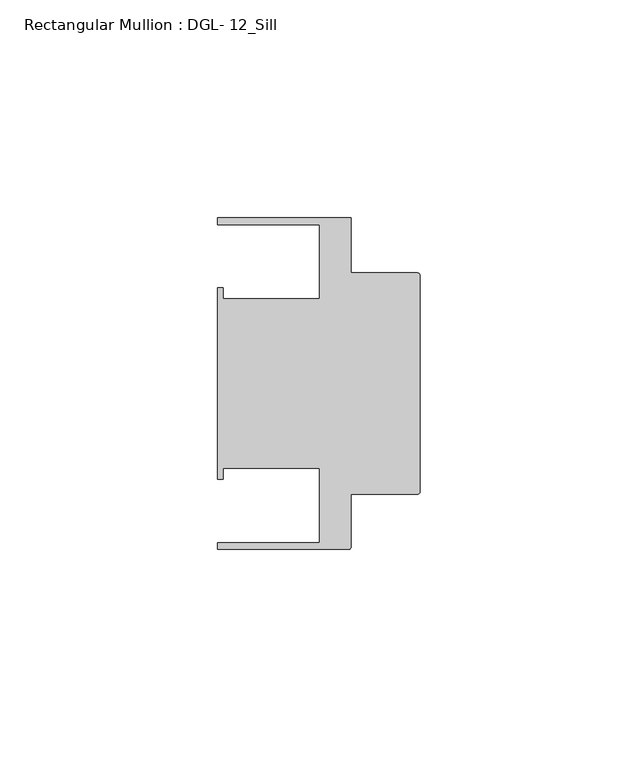
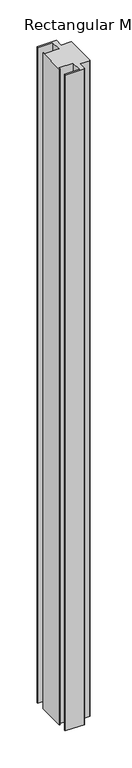
"""IFC4 building model written with IfcOpenShell, lengths in millimetres: member geometry, Rectangular Mullion : DGL- 12_Sill."""

from ifc_helpers import new_model, si_unit, point, frame, frame_2d, origin, place, context, project, spatial, polyline, circle_curve, trimmed, segment, composite_curve, outline, extrude, source, transform, mapped, element, save


def rectangular_mullion_dgl_12_sill_32ad9ad1(model_context):
    return source(origin(), model_context, "Body", "SweptSolid", [
        extrude(outline(composite_curve([segment(trimmed(circle_curve(frame_2d((-0.5953125, 24.8046875)), 0.5953125), [point((-0.5953125, 25.4))], [point((0.0, 24.8046875))], False, "CARTESIAN"), True, "CONTINUOUS"), segment(polyline([(0.0, 24.8046875), (0.0, -24.8046875)]), True, "CONTINUOUS"), segment(trimmed(circle_curve(frame_2d((-0.5953125, -24.8046875)), 0.5953125), [point((0.0, -24.8046875))], [point((-0.5953125, -25.4))], False, "CARTESIAN"), True, "CONTINUOUS"), segment(polyline([(-0.5953125, -25.4), (-15.8750672, -25.4), (-15.8750672, -37.5047035)]), True, "CONTINUOUS"), segment(trimmed(circle_curve(frame_2d((-16.4703797, -37.5047035)), 0.5953125), [point((-15.8750672, -37.5047035))], [point((-16.4703797, -38.100016))], False, "CARTESIAN"), True, "CONTINUOUS"), segment(polyline([(-16.4703797, -38.100016), (-46.54296, -38.100016), (-46.54296, -36.512516), (-23.1202791, -36.512516), (-23.1202791, -19.4824275), (-45.2865266, -19.4824275), (-45.2865266, -21.9710976), (-46.54296, -21.9710976), (-46.54296, 21.9710976), (-45.2865266, 21.9710976), (-45.2865266, 19.4824275), (-23.1202791, 19.4824275), (-23.1202791, 36.512516), (-46.54296, 36.512516), (-46.54296, 38.0996792), (-15.8750672, 38.0996792), (-15.8750672, 25.4), (-0.5953125, 25.4)]), True, "CONTINUOUS")], self_intersect=False)), frame((0.0, 0.0, -1079.5), z_axis=(0.0, 0.0, 1.0), x_axis=(1.0, 0.0, 0.0)), (0.0, 0.0, 1.0), 1079.5),
    ])


if __name__ == "__main__":
    model = new_model("IFC4")
    model_context = context("Model", 3, world=origin())
    ifc_project = project(units=[si_unit("LENGTHUNIT", "METRE", prefix="MILLI")], contexts=[model_context])
    site = spatial("IfcSite", under=ifc_project)
    building = spatial("IfcBuilding", under=site)
    placement = place(None, origin())
    rectangular_mullion_dgl_12_sill_shape = rectangular_mullion_dgl_12_sill_32ad9ad1(model_context)
    element("IfcMember", 1, ObjectType="Rectangular Mullion : DGL- 12_Sill", at=placement, inside=building, context=model_context, shape_type="MappedRepresentation", body=[
        mapped(rectangular_mullion_dgl_12_sill_shape, transform((0.0, 0.0, 0.0), x_axis=(1.0, 0.0, 0.0), y_axis=(0.0, 1.0, 0.0), z_axis=(0.0, 0.0, 1.0))),
    ])
    save(model, "model.ifc")
